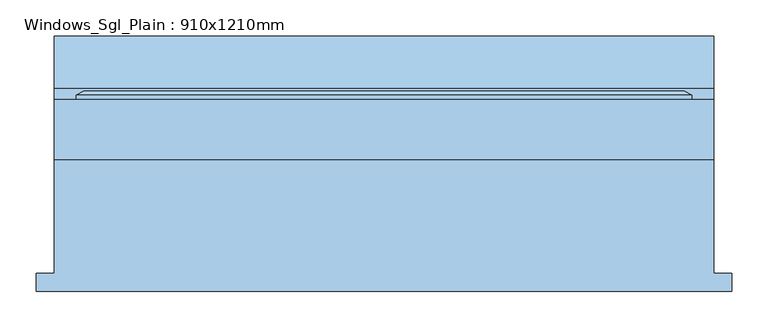
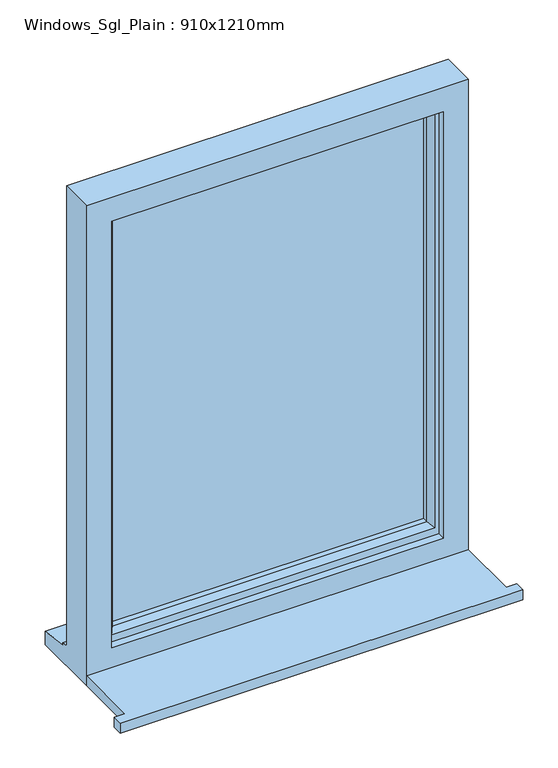
"""IFC4 building model written with IfcOpenShell, lengths in millimetres: window geometry, Windows_Sgl_Plain : 910x1210mm."""

from ifc_helpers import new_model, si_unit, frame, origin, place, context, project, spatial, polyline, outline, extrude, faceted_brep, source, transform, mapped, element, save


def windows_sgl_plain_910x1210mm_58c8e711(model_context):
    return source(origin(), model_context, "Body", "SolidModel", [
        extrude(outline(polyline([(-480.0, -161.5434322), (-480.0, -136.5434322), (-455.0, -136.5434322), (-455.0, 20.4565678), (455.0, 20.4565678), (455.0, -136.5434322), (480.0, -136.5434322), (480.0, -161.5434322), (-480.0, -161.5434322)])), frame((0.0, 0.0, 900.0), z_axis=(0.0, 0.0, 1.0), x_axis=(1.0, 0.0, 0.0)), (0.0, 0.0, 1.0), 25.0),
        faceted_brep([(-455.0, 20.4565678, 900.0), (455.0, 20.4565678, 900.0), (455.0, 20.4565678, 2110.0), (-455.0, 20.4565678, 2110.0), (-395.0, 20.4565678, 2050.0), (395.0, 20.4565678, 2050.0), (395.0, 20.4565678, 975.0), (-395.0, 20.4565678, 975.0), (-455.0, 103.4565678, 2110.0), (-455.0, 103.4565678, 951.0), (-455.0, 118.4565678, 949.68767), (-455.0, 118.4565678, 944.7449676), (-455.0, 190.9565678, 933.8088847), (-455.0, 190.9565678, 900.0), (455.0, 103.4565678, 2110.0), (455.0, 103.4565678, 951.0), (-415.0, 103.4565678, 2070.0), (-415.0, 103.4565678, 963.0), (415.0, 103.4565678, 963.0), (415.0, 103.4565678, 2070.0), (-415.0, 38.4565678, 2070.0), (-415.0, 38.4565678, 963.0), (415.0, 38.4565678, 2070.0), (415.0, 38.4565678, 963.0), (-395.0, 38.4565678, 2050.0), (-395.0, 38.4565678, 975.0), (395.0, 38.4565678, 975.0), (395.0, 38.4565678, 2050.0), (455.0, 190.9565678, 900.0), (455.0, 190.9565678, 933.8088847), (455.0, 118.4565678, 944.7449676), (455.0, 118.4565678, 949.68767)], [[[0, 1, 2, 3], [4, 5, 6, 7]], [[0, 3, 8, 9, 10, 11, 12, 13]], [[9, 8, 14, 15], [16, 17, 18, 19]], [[17, 16, 20, 21]], [[20, 22, 23, 21], [24, 25, 26, 27]], [[24, 4, 7, 25]], [[3, 2, 14, 8]], [[16, 19, 22, 20]], [[5, 4, 24, 27]], [[15, 14, 2, 1, 28, 29, 30, 31]], [[19, 18, 23, 22]], [[5, 27, 26, 6]], [[28, 1, 0, 13]], [[29, 28, 13, 12]], [[30, 29, 12, 11]], [[31, 30, 11, 10]], [[15, 31, 10, 9]], [[21, 23, 18, 17]], [[7, 6, 26, 25]]]),
        extrude(outline(polyline([(385.0, 67.4565678), (-385.0, 67.4565678), (-385.0, 91.4565678), (385.0, 91.4565678), (385.0, 67.4565678)])), frame((0.0, 0.0, 993.0), z_axis=(0.0, 0.0, 1.0), x_axis=(1.0, 0.0, 0.0)), (0.0, 0.0, 1.0), 1047.0),
        faceted_brep([(-425.0, 103.4565678, 2080.0), (-425.0, 109.2300705, 2080.0), (-425.0, 109.2300705, 953.0), (-425.0, 103.4565678, 953.0), (-415.0, 38.4565678, 2070.0), (-415.0, 103.4565678, 2070.0), (-415.0, 103.4565678, 963.0), (-415.0, 38.4565678, 963.0), (-375.0, 52.9494677, 2030.0), (-385.1480377, 38.4565678, 2040.1480377), (-385.1480377, 38.4565678, 992.8519623), (-375.0, 52.9494677, 1003.0), (-375.0, 67.4565678, 2030.0), (-375.0, 67.4565678, 1003.0), (-385.0, 91.4565678, 2040.0), (-385.0, 67.4565678, 2040.0), (-385.0, 67.4565678, 993.0), (-385.0, 91.4565678, 993.0), (-375.0, 109.2300705, 2030.0), (-375.0, 91.4565678, 2030.0), (-375.0, 91.4565678, 1003.0), (-375.0, 109.2300705, 1003.0), (-392.4457548, 115.0035732, 2047.4457548), (-392.4457548, 115.0035732, 985.5542452), (-414.2153903, 115.0035732, 2069.2153903), (-414.2153903, 115.0035732, 963.7846097), (425.0, 109.2300705, 953.0), (425.0, 103.4565678, 953.0), (415.0, 103.4565678, 963.0), (415.0, 38.4565678, 963.0), (385.1480377, 38.4565678, 992.8519623), (375.0, 52.9494677, 1003.0), (375.0, 67.4565678, 1003.0), (385.0, 67.4565678, 993.0), (385.0, 91.4565678, 993.0), (375.0, 91.4565678, 1003.0), (375.0, 109.2300705, 1003.0), (392.4457548, 115.0035732, 985.5542452), (414.2153903, 115.0035732, 963.7846097), (425.0, 109.2300705, 2080.0), (425.0, 103.4565678, 2080.0), (415.0, 103.4565678, 2070.0), (415.0, 38.4565678, 2070.0), (385.1480377, 38.4565678, 2040.1480377), (375.0, 52.9494677, 2030.0), (375.0, 67.4565678, 2030.0), (385.0, 67.4565678, 2040.0), (385.0, 91.4565678, 2040.0), (375.0, 91.4565678, 2030.0), (375.0, 109.2300705, 2030.0), (392.4457548, 115.0035732, 2047.4457548), (414.2153903, 115.0035732, 2069.2153903)], [[[0, 1, 2, 3]], [[4, 5, 6, 7]], [[8, 9, 10, 11]], [[12, 8, 11, 13]], [[14, 15, 16, 17]], [[18, 19, 20, 21]], [[22, 18, 21, 23]], [[1, 24, 25, 2]], [[3, 2, 26, 27]], [[7, 6, 28, 29]], [[11, 10, 30, 31]], [[13, 11, 31, 32]], [[17, 16, 33, 34]], [[21, 20, 35, 36]], [[23, 21, 36, 37]], [[2, 25, 38, 26]], [[27, 26, 39, 40]], [[29, 28, 41, 42]], [[31, 30, 43, 44]], [[32, 31, 44, 45]], [[34, 33, 46, 47]], [[36, 35, 48, 49]], [[37, 36, 49, 50]], [[26, 38, 51, 39]], [[40, 39, 1, 0]], [[3, 27, 40, 0], [5, 41, 28, 6]], [[42, 41, 5, 4]], [[7, 29, 42, 4], [9, 43, 30, 10]], [[44, 43, 9, 8]], [[45, 44, 8, 12]], [[15, 46, 33, 16], [13, 32, 45, 12]], [[47, 46, 15, 14]], [[17, 34, 47, 14], [19, 48, 35, 20]], [[49, 48, 19, 18]], [[50, 49, 18, 22]], [[24, 51, 38, 25], [23, 37, 50, 22]], [[39, 51, 24, 1]]]),
    ])


if __name__ == "__main__":
    model = new_model("IFC4")
    model_context = context("Model", 3, world=origin())
    ifc_project = project(units=[si_unit("LENGTHUNIT", "METRE", prefix="MILLI")], contexts=[model_context])
    site = spatial("IfcSite", under=ifc_project)
    building = spatial("IfcBuilding", under=site)
    placement = place(None, origin())
    windows_sgl_plain_910x1210mm_shape = windows_sgl_plain_910x1210mm_58c8e711(model_context)
    element("IfcWindow", 1, ObjectType="Windows_Sgl_Plain : 910x1210mm", at=placement, inside=building, context=model_context, shape_type="MappedRepresentation", body=[
        mapped(windows_sgl_plain_910x1210mm_shape, transform((0.0, 0.0, 0.0), x_axis=(1.0, 0.0, 0.0), y_axis=(0.0, 1.0, 0.0), z_axis=(0.0, 0.0, 1.0))),
    ])
    save(model, "model.ifc")
